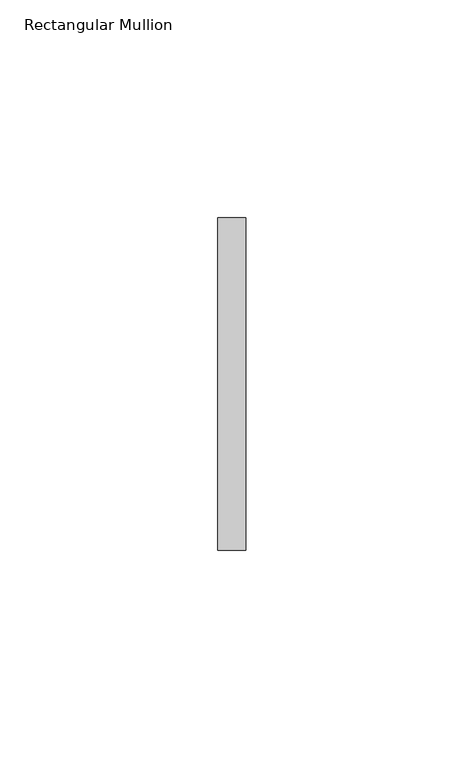
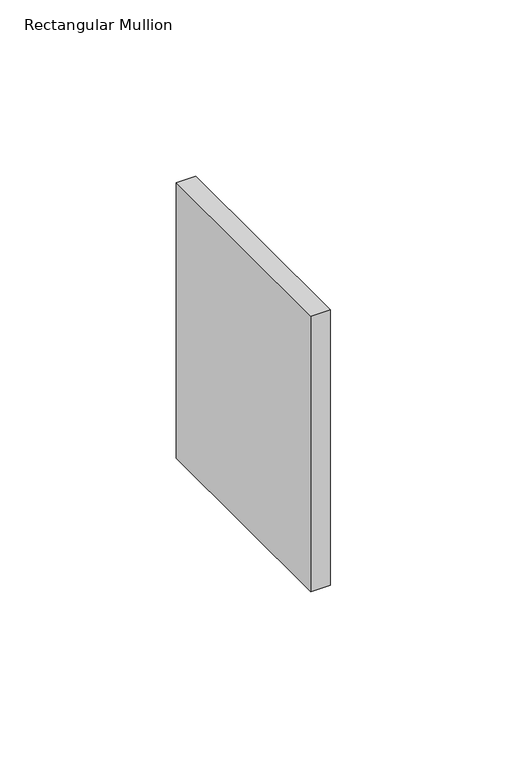
"""IFC4 building model written with IfcOpenShell, lengths in millimetres: member geometry, Rectangular Mullion."""

from ifc_helpers import new_model, si_unit, frame, origin, place, context, project, spatial, polyline, outline, extrude, source, transform, mapped, element, save


def rectangular_mullion_cd27a9ea(model_context):
    return source(origin(), model_context, "Body", "SweptSolid", [
        extrude(outline(polyline([(0.0, 38.1), (0.0, -38.1), (-6.35, -38.1), (-6.35, 38.1), (0.0, 38.1)])), frame((0.0, 0.0, -95.2500003), z_axis=(0.0, 0.0, 1.0), x_axis=(1.0, 0.0, 0.0)), (0.0, 0.0, 1.0), 95.2500003),
    ])


if __name__ == "__main__":
    model = new_model("IFC4")
    model_context = context("Model", 3, world=origin())
    ifc_project = project(units=[si_unit("LENGTHUNIT", "METRE", prefix="MILLI")], contexts=[model_context])
    site = spatial("IfcSite", under=ifc_project)
    building = spatial("IfcBuilding", under=site)
    placement = place(None, origin())
    rectangular_mullion_shape = rectangular_mullion_cd27a9ea(model_context)
    element("IfcMember", 1, ObjectType="Rectangular Mullion", at=placement, inside=building, context=model_context, shape_type="MappedRepresentation", body=[
        mapped(rectangular_mullion_shape, transform((0.0, 0.0, 0.0), x_axis=(1.0, 0.0, 0.0), y_axis=(0.0, 1.0, 0.0), z_axis=(0.0, 0.0, 1.0))),
    ])
    save(model, "model.ifc")
